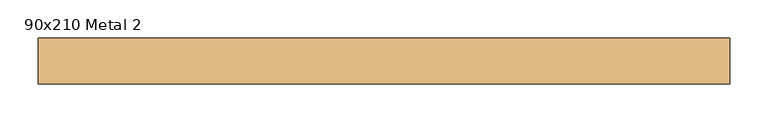
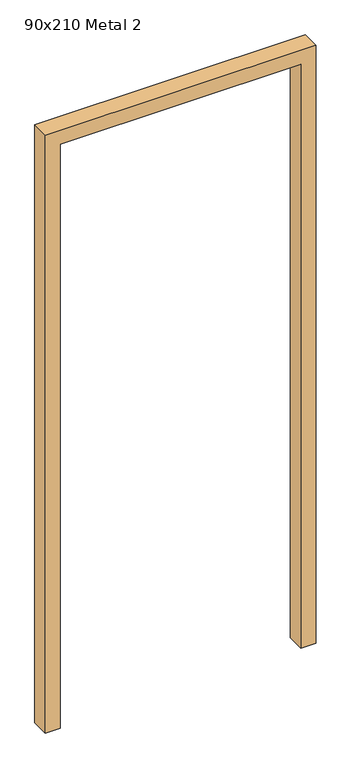
"""IFC4 building model written with IfcOpenShell, lengths in millimetres: door geometry, 90x210 Metal 2."""

from ifc_helpers import new_model, si_unit, frame, origin, place, context, project, spatial, polyline, outline, extrude, source, transform, mapped, element, save


def door_90x210_metal_2_aa8cdc57(model_context):
    return source(origin(), model_context, "Body", "SweptSolid", [
        extrude(outline(polyline([(2050.0, 400.0), (0.0, 400.0), (0.0, 450.0), (2100.0, 450.0), (2100.0, -450.0), (0.0, -450.0), (0.0, -400.0), (2050.0, -400.0), (2050.0, 400.0)])), frame((0.0, -20.0, 0.0), z_axis=(0.0, 1.0, 0.0), x_axis=(0.0, 0.0, 1.0)), (0.0, 0.0, 1.0), 60.0),
    ])


if __name__ == "__main__":
    model = new_model("IFC4")
    model_context = context("Model", 3, world=origin())
    ifc_project = project(units=[si_unit("LENGTHUNIT", "METRE", prefix="MILLI")], contexts=[model_context])
    site = spatial("IfcSite", under=ifc_project)
    building = spatial("IfcBuilding", under=site)
    placement = place(None, origin())
    door_90x210_metal_2_shape = door_90x210_metal_2_aa8cdc57(model_context)
    element("IfcDoor", 1, ObjectType="90x210 Metal 2", at=placement, inside=building, context=model_context, shape_type="MappedRepresentation", body=[
        mapped(door_90x210_metal_2_shape, transform((0.0, 0.0, 0.0), x_axis=(1.0, 0.0, 0.0), y_axis=(0.0, 1.0, 0.0), z_axis=(0.0, 0.0, 1.0))),
    ])
    save(model, "model.ifc")
